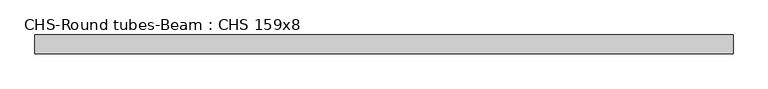
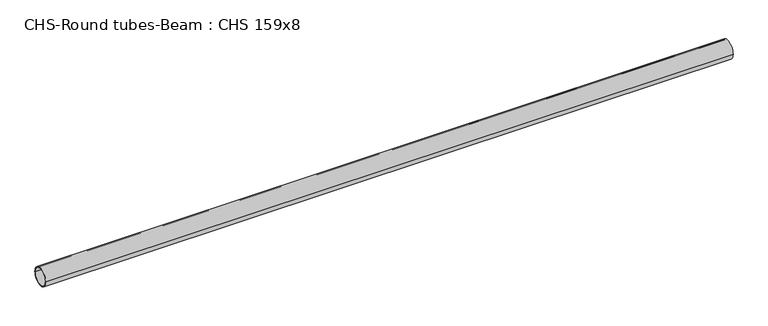
"""IFC4 building model written with IfcOpenShell, lengths in millimetres: beam geometry, CHS-Round tubes-Beam : CHS 159x8."""

from ifc_helpers import new_model, si_unit, point, frame, origin, origin_2d, place, context, project, spatial, circle_curve, trimmed, segment, composite_curve, outline, extrude, source, transform, mapped, element, save


def chs_round_tubes_beam_chs_159x8_8ba25332(model_context):
    return source(origin(), model_context, "Body", "SweptSolid", [
        extrude(outline(composite_curve([segment(trimmed(circle_curve(origin_2d(), 79.5), [point((79.5, 0.0))], [point((-79.5, 0.0))], False, "CARTESIAN"), True, "CONTINUOUS"), segment(trimmed(circle_curve(origin_2d(), 79.5), [point((-79.5, 0.0))], [point((79.5, 0.0))], False, "CARTESIAN"), True, "CONTINUOUS")], self_intersect=False), holes=[composite_curve([segment(trimmed(circle_curve(origin_2d(), 71.5), [point((71.5, 0.0))], [point((-71.5, 0.0))], True, "CARTESIAN"), True, "CONTINUOUS"), segment(trimmed(circle_curve(origin_2d(), 71.5), [point((-71.5, 0.0))], [point((71.5, 0.0))], True, "CARTESIAN"), True, "CONTINUOUS")], self_intersect=False)]), frame((-2949.5806156, 0.0, 0.0), z_axis=(1.0, 0.0, 0.0), x_axis=(0.0, 1.0, 0.0)), (0.0, 0.0, 1.0), 5899.1612311),
    ])


if __name__ == "__main__":
    model = new_model("IFC4")
    model_context = context("Model", 3, world=origin())
    ifc_project = project(units=[si_unit("LENGTHUNIT", "METRE", prefix="MILLI")], contexts=[model_context])
    site = spatial("IfcSite", under=ifc_project)
    building = spatial("IfcBuilding", under=site)
    placement = place(None, origin())
    chs_round_tubes_beam_chs_159x8_shape = chs_round_tubes_beam_chs_159x8_8ba25332(model_context)
    element("IfcBeam", 1, ObjectType="CHS-Round tubes-Beam : CHS 159x8", at=placement, inside=building, context=model_context, shape_type="MappedRepresentation", body=[
        mapped(chs_round_tubes_beam_chs_159x8_shape, transform((0.0, 0.0, 0.0), x_axis=(1.0, 0.0, 0.0), y_axis=(0.0, 1.0, 0.0), z_axis=(0.0, 0.0, 1.0))),
    ])
    save(model, "model.ifc")
